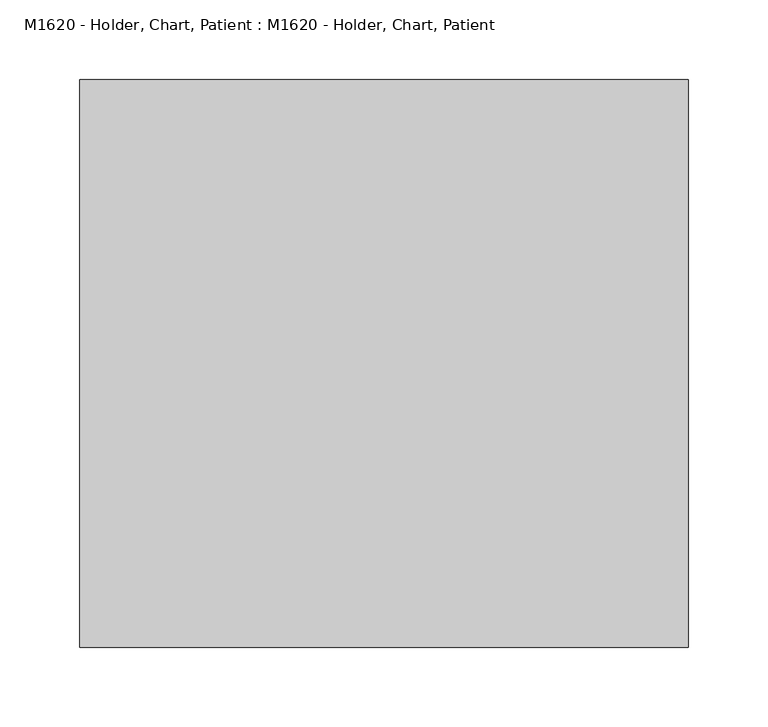
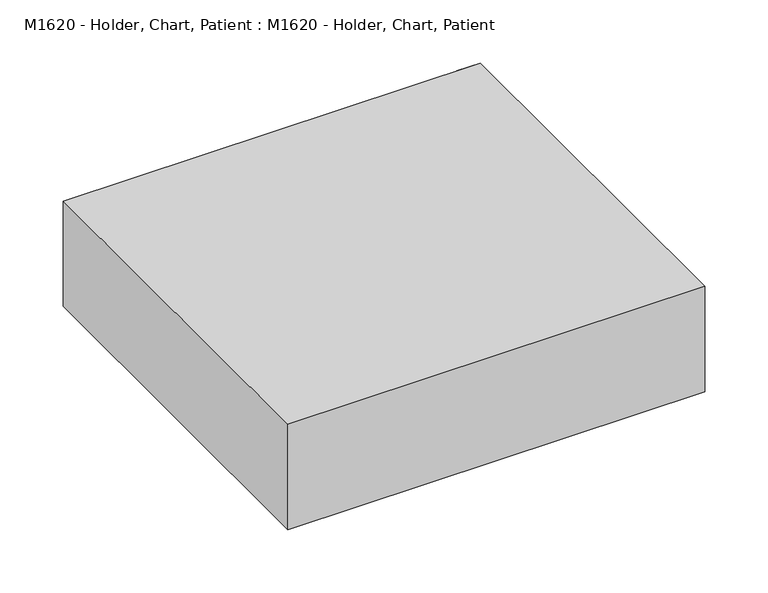
"""IFC4 building model written with IfcOpenShell, lengths in millimetres: proxy geometry, M1620 - Holder, Chart, Patient : M1620 - Holder, Chart, Patient."""

from ifc_helpers import new_model, si_unit, origin, origin_with_axes, place, context, project, spatial, polyline, outline, extrude, faceted_brep, source, transform, mapped, element, save


def m1620_holder_chart_patient_m1620_holder_chart_patient_7e687064(model_context):
    return source(origin(), model_context, "Body", "SolidModel", [
        extrude(outline(polyline([(190.5, -355.6), (-190.5, -355.6), (-190.5, 0.0), (190.5, 0.0), (190.5, -355.6)])), origin_with_axes(), (0.0, 0.0, 1.0), 101.6),
        faceted_brep([(190.5, 0.0, 101.6), (190.5, 0.0, 0.0), (-190.5, 0.0, 0.0), (-190.5, 0.0, 101.6), (-168.275, 0.0, 101.6), (-168.275, 0.0, 92.075), (-180.975, 0.0, 92.075), (-180.975, 0.0, 9.525), (180.975, 0.0, 9.525), (180.975, 0.0, 92.075), (169.0322985, 0.0, 92.075), (169.0322985, 0.0, 101.6), (190.5, -355.6, 101.6), (-190.5, -355.6, 101.6), (-190.5, -355.6, 0.0), (190.5, -355.6, 0.0), (114.3, -44.45, 101.6), (-114.3, -44.45, 101.6), (180.975, -346.075, 92.075), (-180.975, -346.075, 92.075), (-114.3, -44.45, 92.075), (114.3, -44.45, 92.075), (-180.975, -346.075, 9.525), (180.975, -346.075, 9.525)], [[[0, 1, 2, 3, 4, 5, 6, 7, 8, 9, 10, 11]], [[12, 13, 14, 15]], [[13, 12, 0, 11, 16, 17, 4, 3]], [[3, 2, 14, 13]], [[2, 1, 15, 14]], [[1, 0, 12, 15]], [[9, 18, 19, 6, 5, 20, 21, 10]], [[7, 22, 23, 8]], [[6, 19, 22, 7]], [[19, 18, 23, 22]], [[18, 9, 8, 23]], [[16, 21, 20, 17]], [[21, 16, 11, 10]], [[17, 20, 5, 4]]]),
    ])


if __name__ == "__main__":
    model = new_model("IFC4")
    model_context = context("Model", 3, world=origin())
    ifc_project = project(units=[si_unit("LENGTHUNIT", "METRE", prefix="MILLI")], contexts=[model_context])
    site = spatial("IfcSite", under=ifc_project)
    building = spatial("IfcBuilding", under=site)
    placement = place(None, origin())
    m1620_holder_chart_patient_m1620_holder_chart_patient_shape = m1620_holder_chart_patient_m1620_holder_chart_patient_7e687064(model_context)
    element("IfcBuildingElementProxy", 1, Name="M1620 - Holder, Chart, Patient : M1620 - Holder, Chart, Patient", ObjectType="M1620 - Holder, Chart, Patient : M1620 - Holder, Chart, Patient", at=placement, inside=building, context=model_context, shape_type="MappedRepresentation", body=[
        mapped(m1620_holder_chart_patient_m1620_holder_chart_patient_shape, transform((0.0, 0.0, 0.0), x_axis=(1.0, 0.0, 0.0), y_axis=(0.0, 1.0, 0.0), z_axis=(0.0, 0.0, 1.0))),
    ])
    save(model, "model.ifc")
